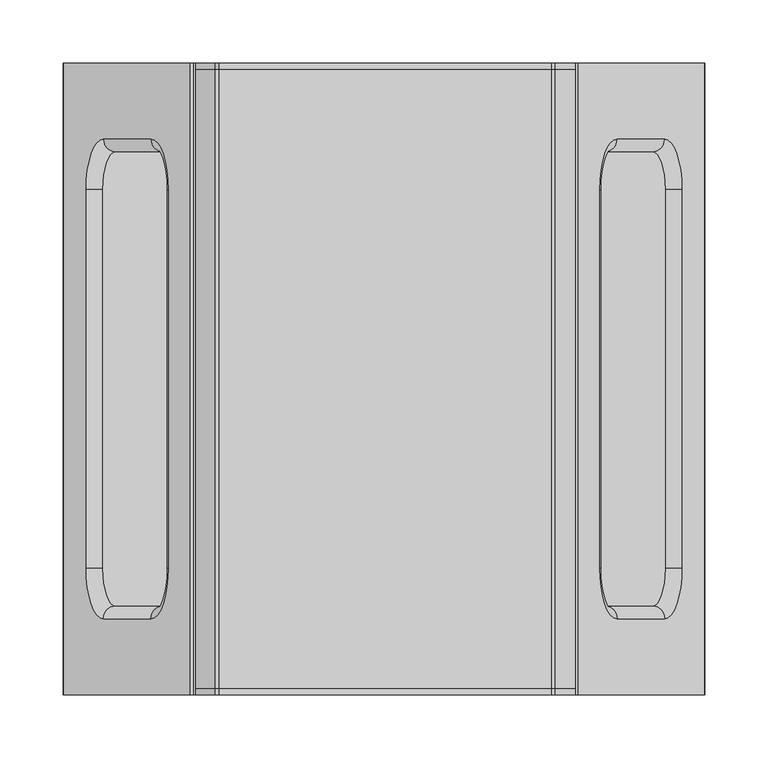
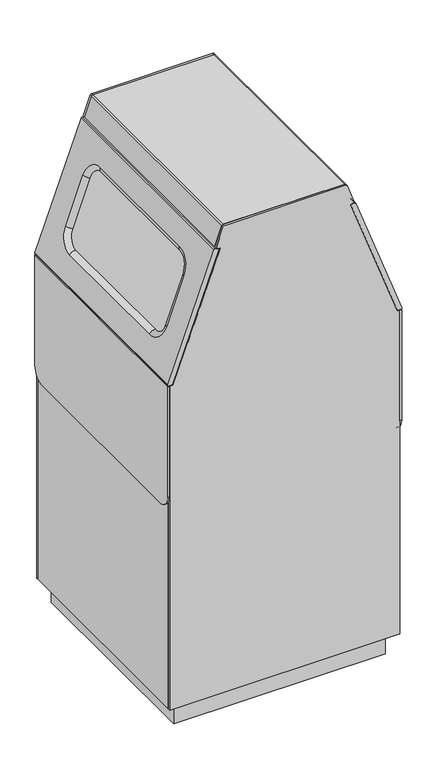
"""IFC4 building model written with IfcOpenShell, lengths in millimetres: furniture geometry."""

from ifc_helpers import new_model, si_unit, point, frame, frame_2d, origin, origin_with_axes, place, context, project, spatial, polyline, circle_curve, ellipse_curve, trimmed, segment, composite_curve, outline, extrude, source, transform, mapped, element, save
from ifc_brep_helpers import plane_surface, cylinder_surface, revolved_surface, advanced_brep


def furniture_a62a440b(model_context):
    return source(origin(), model_context, "Body", "SolidModel", [
        extrude(outline(polyline([(232.491566, 230.0), (232.491566, -230.0), (-227.491566, -230.0), (-227.491566, 230.0), (232.491566, 230.0)])), origin_with_axes(), (0.0, 0.0, 1.0), 50.1281076),
        advanced_brep(
        [(146.0932396, -250.0, 1072.1902417), (246.5647051, -250.0, 795.7630514), (254.383259, -250.0, 795.7627889), (256.2410158, -250.0, 798.4145852), (156.1722964, -250.0, 1073.7336998), (153.6191469, -250.0, 1074.9256417), (146.0932396, 250.0, 1072.1902417), (153.6191469, 250.0, 1074.9256417), (156.1722964, 250.0, 1073.7336998), (256.2410158, 250.0, 798.4145852), (254.383259, 250.0, 795.7627889), (246.5647051, 250.0, 795.7630514), (167.2964556, -149.9027397, 1013.8538237), (177.5427021, -179.8975729, 985.6633208), (215.1187442, -179.8975729, 882.2803384), (225.3649908, -149.9027397, 854.0898355), (225.3649908, 149.9027397, 854.0898355), (215.1187442, 179.8975729, 882.2803384), (177.5427021, 179.8975729, 985.6633208), (167.2964556, 149.9027397, 1013.8538237), (186.941155, -189.9027397, 989.0793247), (173.2771397, -149.9027397, 1026.6731365), (173.2771397, 149.9027397, 1026.6731365), (186.941155, 189.9027397, 989.0793247), (224.5171972, 189.9027397, 885.6963422), (238.1812125, 149.9027397, 848.1025304), (238.1812125, -149.9027397, 848.1025304), (224.5171972, -189.9027397, 885.6963422)],
        [
            (0, 1),
            (1, 2),
            (2, 3, circle_curve(frame((254.3833253, -250.0, 797.7393807), z_axis=(0.0, -1.0, 0.0), x_axis=(1.0, 0.0, 0.0)), 1.9765918)),
            (3, 4),
            (4, 5, circle_curve(frame((154.2997508, -250.0, 1073.053096), z_axis=(0.0, -1.0, 0.0), x_axis=(1.0, 0.0, 0.0)), 1.9923978)),
            (5, 0),
            (6, 7),
            (7, 8, circle_curve(frame((154.2997508, 250.0, 1073.053096), z_axis=(0.0, 1.0, 0.0), x_axis=(1.0, 0.0, 0.0)), 1.9923978)),
            (8, 9),
            (9, 10, circle_curve(frame((254.3833253, 250.0, 797.7393807), z_axis=(0.0, 1.0, 0.0), x_axis=(1.0, 0.0, 0.0)), 1.9765918)),
            (10, 11),
            (11, 6),
            (0, 6),
            (11, 1),
            (12, 13, circle_curve(frame((177.5427021, -149.9027397, 985.6633208), z_axis=(0.9398452948509541, 0.0, 0.3416003831182324), x_axis=(-0.3416003831182324, 0.0, 0.9398452948509541)), 29.9948332)),
            (13, 14),
            (14, 15, circle_curve(frame((215.1187442, -149.9027397, 882.2803384), z_axis=(0.9398452948509541, 0.0, 0.3416003831182324), x_axis=(0.0, -1.0, 0.0)), 29.9948332)),
            (15, 16),
            (16, 17, circle_curve(frame((215.1187442, 149.9027397, 882.2803384), z_axis=(0.9398452948509541, 0.0, 0.3416003831182324), x_axis=(0.3416003831182324, 0.0, -0.9398452948509541)), 29.9948332)),
            (17, 18),
            (18, 19, circle_curve(frame((177.5427021, 149.9027397, 985.6633208), z_axis=(0.9398452948509541, 0.0, 0.3416003831182324), x_axis=(0.0, 1.0, 0.0)), 29.9948332)),
            (19, 12),
            (10, 2),
            (9, 3),
            (8, 4),
            (20, 21, circle_curve(frame((186.941155, -149.9027397, 989.0793247), z_axis=(-0.9398452948509541, 0.0, -0.3416003831182324), x_axis=(-0.3416003831182324, 0.0, 0.9398452948509541)), 40.0)),
            (21, 22),
            (22, 23, circle_curve(frame((186.941155, 149.9027397, 989.0793247), z_axis=(-0.9398452948509541, 0.0, -0.3416003831182324), x_axis=(0.0, 1.0, 0.0)), 40.0)),
            (23, 24),
            (24, 25, circle_curve(frame((224.5171972, 149.9027397, 885.6963422), z_axis=(-0.9398452948509541, 0.0, -0.3416003831182324), x_axis=(0.3416003831182324, 0.0, -0.9398452948509541)), 40.0)),
            (25, 26),
            (26, 27, circle_curve(frame((224.5171972, -149.9027397, 885.6963422), z_axis=(-0.9398452948509541, 0.0, -0.3416003831182324), x_axis=(0.0, -1.0, 0.0)), 40.0)),
            (27, 20),
            (7, 5),
            (12, 21, circle_curve(frame((163.8738295, -149.9027397, 1023.2553672), z_axis=(0.0, -1.0, 0.0), x_axis=(-1.0, 0.0, 0.0)), 10.0051681)),
            (20, 13, circle_curve(frame((177.5378449, -189.9027397, 985.6615554), z_axis=(-0.3416003831182322, 0.0, 0.9398452948509541), x_axis=(-0.8833091782534767, -0.3416003831182324, -0.3210515127929546)), 10.0051681)),
            (27, 14, circle_curve(frame((215.113887, -189.9027397, 882.278573), z_axis=(-0.3416003831182323, 0.0, 0.9398452948509542), x_axis=(-0.8833091782534771, -0.3416003831182324, -0.3210515127929534)), 10.0051681)),
            (26, 15, circle_curve(frame((228.7779023, -149.9027397, 844.6847612), z_axis=(0.0, -1.0, 0.0), x_axis=(-0.7666183565069539, 0.0, -0.6421030255859081)), 10.0051681)),
            (25, 16, circle_curve(frame((228.7779023, 149.9027397, 844.6847612), z_axis=(0.0, -1.0, 0.0), x_axis=(-0.7666183565069538, 0.0, -0.642103025585908)), 10.0051681)),
            (24, 17, circle_curve(frame((215.113887, 189.9027397, 882.278573), z_axis=(0.3416003831182326, 0.0, -0.9398452948509542), x_axis=(-0.8833091782534769, 0.3416003831182325, -0.3210515127929541)), 10.0051681)),
            (23, 18, circle_curve(frame((177.5378449, 189.9027397, 985.6615554), z_axis=(0.34160038311823265, 0.0, -0.9398452948509541), x_axis=(-0.883309178253477, 0.3416003831182325, -0.32105151279295374)), 10.0051681)),
            (22, 19, circle_curve(frame((163.8738295, 149.9027397, 1023.2553672), z_axis=(0.0, 1.0000000000000002, 0.0), x_axis=(-1.0, 0.0, 0.0)), 10.0051681)),
        ],
        [
            plane_surface(frame((246.5647051, -250.0, 795.7630514), z_axis=(0.0, -1.0, 0.0), x_axis=(0.3416003831181263, 0.0, -0.9398452948509927))),
            plane_surface(frame((246.5647051, 250.0, 795.7630514), z_axis=(0.0, 1.0, 0.0), x_axis=(-0.3416003831181263, 0.0, 0.9398452948509927))),
            plane_surface(frame((146.0932396, -250.0, 1072.1902417), z_axis=(-0.9398452948509927, 0.0, -0.3416003831181263), x_axis=(0.0, 1.0, 0.0))),
            plane_surface(frame((246.5647051, -250.0, 795.7630514), z_axis=(-3.3566365622777426e-05, 0.0, -0.9999999994366495), x_axis=(0.0, 1.0, 0.0))),
            cylinder_surface(frame((254.3833253, 250.0, 797.7393807), z_axis=(0.0, -1.0, 0.0), x_axis=(1.0, 0.0, 0.0)), 1.9765918),
            plane_surface(frame((256.2410158, -250.0, 798.4145852), z_axis=(0.9398452948509542, 0.0, 0.34160038311823204), x_axis=(0.0, 1.0, 0.0))),
            cylinder_surface(frame((154.2997508, 250.0, 1073.053096), z_axis=(0.0, -1.0, 0.0), x_axis=(1.0, 0.0, 0.0)), 1.9923978),
            plane_surface(frame((153.6191469, -250.0, 1074.9256417), z_axis=(-0.34160038311813345, 0.0, 0.9398452948509901), x_axis=(0.0, 1.0, 0.0))),
            revolved_surface(trimmed(ellipse_curve(frame((163.8738295, -149.9027397, 1023.2553672), z_axis=(0.0, 1.0, 0.0), x_axis=(-1.0, 0.0, 0.0)), 10.0051681, 10.0051681), [point((173.2771397, -149.9027397, 1026.6731365))], [point((167.2964556, -149.9027397, 1013.8538237))], True, "CARTESIAN"), (186.941155, -149.9027397, 989.0793247), (0.9398452948509541, 0.0, 0.3416003831182324)),
            cylinder_surface(frame((177.5378449, -189.9027397, 985.6615554), z_axis=(-0.3416003831182323, 0.0, 0.9398452948509542), x_axis=(-0.8833091782534771, -0.3416003831182324, -0.3210515127929534)), 10.0051681),
            revolved_surface(trimmed(ellipse_curve(frame((215.113887, -189.9027397, 882.278573), z_axis=(-0.34160038311823215, 0.0, 0.9398452948509542), x_axis=(-0.8833091782534771, -0.34160038311823243, -0.32105151279295385)), 10.0051681, 10.0051681), [point((224.5171972, -189.9027397, 885.6963422))], [point((215.1187442, -179.8975729, 882.2803384))], True, "CARTESIAN"), (224.5171972, -149.9027397, 885.6963422), (0.9398452948509541, 0.0, 0.3416003831182324)),
            cylinder_surface(frame((228.7779023, -149.9027397, 844.6847612), z_axis=(0.0, -1.0, 0.0), x_axis=(-0.7666183565069538, 0.0, -0.642103025585908)), 10.0051681),
            revolved_surface(trimmed(ellipse_curve(frame((228.7779023, 149.9027397, 844.6847612), z_axis=(0.0, -1.0000000000000002, 0.0), x_axis=(-0.7666183565069538, 0.0, -0.6421030255859081)), 10.0051681, 10.0051681), [point((238.1812125, 149.9027397, 848.1025304))], [point((225.3649908, 149.9027397, 854.0898355))], True, "CARTESIAN"), (224.5171972, 149.9027397, 885.6963422), (0.9398452948509541, 0.0, 0.3416003831182324)),
            cylinder_surface(frame((215.113887, 189.9027397, 882.278573), z_axis=(0.34160038311823265, 0.0, -0.9398452948509541), x_axis=(-0.883309178253477, 0.3416003831182325, -0.32105151279295374)), 10.0051681),
            revolved_surface(trimmed(ellipse_curve(frame((177.5378449, 189.9027397, 985.6615554), z_axis=(0.34160038311823265, 0.0, -0.9398452948509542), x_axis=(-0.8833091782534768, 0.3416003831182325, -0.32105151279295424)), 10.0051681, 10.0051681), [point((186.941155, 189.9027397, 989.0793247))], [point((177.5427021, 179.8975729, 985.6633208))], True, "CARTESIAN"), (186.941155, 149.9027397, 989.0793247), (0.9398452948509541, 0.0, 0.3416003831182324)),
            cylinder_surface(frame((163.8738295, 149.9027397, 1023.2553672), z_axis=(0.0, 1.0, 0.0), x_axis=(-1.0, 0.0, 0.0)), 10.0051681),
        ],
        [
            (0, [[1, 2, 3, 4, 5, 6]]),
            (1, [[7, 8, 9, 10, 11, 12]]),
            (2, [[-1, 13, -12, 14], [15, 16, 17, 18, 19, 20, 21, 22]]),
            (3, [[-2, -14, -11, 23]]),
            (4, [[-3, -23, -10, 24]]),
            (5, [[-4, -24, -9, 25], [26, 27, 28, 29, 30, 31, 32, 33]]),
            (6, [[-5, -25, -8, 34]]),
            (7, [[-6, -34, -7, -13]]),
            (8, [[-15, 35, -26, 36]]),
            (9, [[-36, -33, 37, -16]]),
            (10, [[-37, -32, 38, -17]]),
            (11, [[-38, -31, 39, -18]]),
            (12, [[-39, -30, 40, -19]]),
            (13, [[-40, -29, 41, -20]]),
            (14, [[-41, -28, 42, -21]]),
            (15, [[-35, -22, -42, -27]]),
        ],
    ),
        advanced_brep(
        [(-141.0932396, -250.0, 1072.1902417), (-148.6191469, -250.0, 1074.9256417), (-151.1722964, -250.0, 1073.7336998), (-251.2410158, -250.0, 798.4145852), (-249.383259, -250.0, 795.7627889), (-241.5647051, -250.0, 795.7630514), (-141.0932396, 250.0, 1072.1902417), (-241.5647051, 250.0, 795.7630514), (-249.383259, 250.0, 795.7627889), (-251.2410158, 250.0, 798.4145852), (-151.1722964, 250.0, 1073.7336998), (-148.6191469, 250.0, 1074.9256417), (-172.5427021, -179.8975729, 985.6633208), (-162.2964556, -149.9027397, 1013.8538237), (-162.2964556, 149.9027397, 1013.8538237), (-172.5427021, 179.8975729, 985.6633208), (-210.1187442, 179.8975729, 882.2803384), (-220.3649908, 149.9027397, 854.0898355), (-220.3649908, -149.9027397, 854.0898355), (-210.1187442, -179.8975729, 882.2803384), (-168.2771397, -149.9027397, 1026.6731365), (-181.941155, -189.9027397, 989.0793247), (-219.5171972, -189.9027397, 885.6963422), (-233.1812125, -149.9027397, 848.1025304), (-233.1812125, 149.9027397, 848.1025304), (-219.5171972, 189.9027397, 885.6963422), (-181.941155, 189.9027397, 989.0793247), (-168.2771397, 149.9027397, 1026.6731365)],
        [
            (0, 1),
            (1, 2, circle_curve(frame((-149.2997508, -250.0, 1073.053096), z_axis=(0.0, -1.0, 0.0), x_axis=(-1.0, 0.0, 0.0)), 1.9923978)),
            (2, 3),
            (3, 4, circle_curve(frame((-249.3833253, -250.0, 797.7393807), z_axis=(0.0, -1.0, 0.0), x_axis=(-1.0, 0.0, 0.0)), 1.9765918)),
            (4, 5),
            (5, 0),
            (6, 7),
            (7, 8),
            (8, 9, circle_curve(frame((-249.3833253, 250.0, 797.7393807), z_axis=(0.0, 1.0, 0.0), x_axis=(-1.0, 0.0, 0.0)), 1.9765918)),
            (9, 10),
            (10, 11, circle_curve(frame((-149.2997508, 250.0, 1073.053096), z_axis=(0.0, 1.0, 0.0), x_axis=(-1.0, 0.0, 0.0)), 1.9923978)),
            (11, 6),
            (5, 7),
            (6, 0),
            (12, 13, circle_curve(frame((-172.5427021, -149.9027397, 985.6633208), z_axis=(-0.9398452948509541, 0.0, 0.3416003831182324), x_axis=(0.3416003831182324, 0.0, 0.9398452948509541)), 29.9948332)),
            (13, 14),
            (14, 15, circle_curve(frame((-172.5427021, 149.9027397, 985.6633208), z_axis=(-0.9398452948509541, 0.0, 0.3416003831182324), x_axis=(0.0, 1.0, 0.0)), 29.9948332)),
            (15, 16),
            (16, 17, circle_curve(frame((-210.1187442, 149.9027397, 882.2803384), z_axis=(-0.9398452948509541, 0.0, 0.3416003831182324), x_axis=(-0.3416003831182324, 0.0, -0.9398452948509541)), 29.9948332)),
            (17, 18),
            (18, 19, circle_curve(frame((-210.1187442, -149.9027397, 882.2803384), z_axis=(-0.9398452948509541, 0.0, 0.3416003831182324), x_axis=(0.0, -1.0, 0.0)), 29.9948332)),
            (19, 12),
            (4, 8),
            (3, 9),
            (2, 10),
            (20, 21, circle_curve(frame((-181.941155, -149.9027397, 989.0793247), z_axis=(0.9398452948509541, 0.0, -0.3416003831182324), x_axis=(0.3416003831182324, 0.0, 0.9398452948509541)), 40.0)),
            (21, 22),
            (22, 23, circle_curve(frame((-219.5171972, -149.9027397, 885.6963422), z_axis=(0.9398452948509541, 0.0, -0.3416003831182324), x_axis=(0.0, -1.0, 0.0)), 40.0)),
            (23, 24),
            (24, 25, circle_curve(frame((-219.5171972, 149.9027397, 885.6963422), z_axis=(0.9398452948509541, 0.0, -0.3416003831182324), x_axis=(-0.3416003831182324, 0.0, -0.9398452948509541)), 40.0)),
            (25, 26),
            (26, 27, circle_curve(frame((-181.941155, 149.9027397, 989.0793247), z_axis=(0.9398452948509541, 0.0, -0.3416003831182324), x_axis=(0.0, 1.0, 0.0)), 40.0)),
            (27, 20),
            (1, 11),
            (20, 13, circle_curve(frame((-158.8738295, -149.9027397, 1023.2553672), z_axis=(0.0, -1.0, 0.0), x_axis=(1.0, 0.0, 0.0)), 10.0051681)),
            (12, 21, circle_curve(frame((-172.5378449, -189.9027397, 985.6615554), z_axis=(0.3416003831182322, 0.0, 0.9398452948509541), x_axis=(0.883309178253477, -0.3416003831182325, -0.32105151279295385)), 10.0051681)),
            (19, 22, circle_curve(frame((-210.113887, -189.9027397, 882.278573), z_axis=(0.34160038311823226, 0.0, 0.9398452948509541), x_axis=(0.8833091782534771, -0.3416003831182325, -0.3210515127929534)), 10.0051681)),
            (18, 23, circle_curve(frame((-223.7779023, -149.9027397, 844.6847612), z_axis=(0.0, -1.0, 0.0), x_axis=(0.7666183565069535, 0.0, -0.6421030255859081)), 10.0051681)),
            (17, 24, circle_curve(frame((-223.7779023, 149.9027397, 844.6847612), z_axis=(0.0, -1.0, 0.0), x_axis=(0.7666183565069536, 0.0, -0.6421030255859081)), 10.0051681)),
            (16, 25, circle_curve(frame((-210.113887, 189.9027397, 882.278573), z_axis=(-0.3416003831182326, 0.0, -0.9398452948509542), x_axis=(0.8833091782534762, 0.34160038311823254, -0.3210515127929559)), 10.0051681)),
            (15, 26, circle_curve(frame((-172.5378449, 189.9027397, 985.6615554), z_axis=(-0.3416003831182326, 0.0, -0.9398452948509541), x_axis=(0.883309178253477, 0.3416003831182326, -0.3210515127929537)), 10.0051681)),
            (14, 27, circle_curve(frame((-158.8738295, 149.9027397, 1023.2553672), z_axis=(0.0, 1.0, 0.0), x_axis=(1.0, 0.0, 0.0)), 10.0051681)),
        ],
        [
            plane_surface(frame((-148.612002, -250.0, 1074.9230447), z_axis=(0.0, -1.0, 0.0), x_axis=(-0.9398452948509906, 0.0, 0.34160038311813207))),
            plane_surface(frame((-148.612002, 250.0, 1074.9230447), z_axis=(0.0, 1.0, 0.0), x_axis=(0.9398452948509906, 0.0, -0.34160038311813207))),
            plane_surface(frame((-241.5647051, -250.0, 795.7630514), z_axis=(0.9398452948509927, 0.0, -0.34160038311812635), x_axis=(0.0, 1.0, 0.0))),
            plane_surface(frame((-249.383259, -250.0, 795.7627889), z_axis=(3.3566365622777426e-05, 0.0, -0.9999999994366495), x_axis=(0.0, 1.0, 0.0))),
            cylinder_surface(frame((-249.3833253, 250.0, 797.7393807), z_axis=(0.0, -1.0, 0.0), x_axis=(-1.0, 0.0, 0.0)), 1.9765918),
            plane_surface(frame((-151.1722964, -250.0, 1073.7336998), z_axis=(-0.9398452948509542, 0.0, 0.3416003831182321), x_axis=(0.0, 1.0, 0.0))),
            cylinder_surface(frame((-149.2997508, 250.0, 1073.053096), z_axis=(0.0, -1.0, 0.0), x_axis=(-1.0, 0.0, 0.0)), 1.9923978),
            plane_surface(frame((-141.0932396, -250.0, 1072.1902417), z_axis=(0.34160038311813207, 0.0, 0.9398452948509906), x_axis=(0.0, 1.0, 0.0))),
            revolved_surface(trimmed(ellipse_curve(frame((-158.8738295, -149.9027397, 1023.2553672), z_axis=(0.0, 1.0, 0.0), x_axis=(1.0, 0.0, 0.0)), 10.0051681, 10.0051681), [point((-162.2964556, -149.9027397, 1013.8538237))], [point((-168.2771397, -149.9027397, 1026.6731365))], True, "CARTESIAN"), (-181.941155, -149.9027397, 989.0793247), (0.9398452948509541, 0.0, -0.3416003831182324)),
            cylinder_surface(frame((-172.5378449, -189.9027397, 985.6615554), z_axis=(0.3416003831182323, 0.0, 0.9398452948509544), x_axis=(0.8833091782534771, -0.3416003831182325, -0.3210515127929534)), 10.0051681),
            revolved_surface(trimmed(ellipse_curve(frame((-210.113887, -189.9027397, 882.278573), z_axis=(0.3416003831182322, 0.0, 0.9398452948509542), x_axis=(0.8833091782534769, -0.3416003831182325, -0.3210515127929538)), 10.0051681, 10.0051681), [point((-210.1187442, -179.8975729, 882.2803384))], [point((-219.5171972, -189.9027397, 885.6963422))], True, "CARTESIAN"), (-219.5171972, -149.9027397, 885.6963422), (0.9398452948509541, 0.0, -0.3416003831182324)),
            cylinder_surface(frame((-223.7779023, -149.9027397, 844.6847612), z_axis=(0.0, -1.0, 0.0), x_axis=(0.7666183565069536, 0.0, -0.6421030255859081)), 10.0051681),
            revolved_surface(trimmed(ellipse_curve(frame((-223.7779023, 149.9027397, 844.6847612), z_axis=(0.0, -1.0000000000000002, 0.0), x_axis=(0.7666183565069536, 0.0, -0.6421030255859081)), 10.0051681, 10.0051681), [point((-220.3649908, 149.9027397, 854.0898355))], [point((-233.1812125, 149.9027397, 848.1025304))], True, "CARTESIAN"), (-219.5171972, 149.9027397, 885.6963422), (0.9398452948509541, 0.0, -0.3416003831182324)),
            cylinder_surface(frame((-210.113887, 189.9027397, 882.278573), z_axis=(-0.3416003831182326, 0.0, -0.9398452948509541), x_axis=(0.883309178253477, 0.3416003831182326, -0.3210515127929537)), 10.0051681),
            revolved_surface(trimmed(ellipse_curve(frame((-172.5378449, 189.9027397, 985.6615554), z_axis=(-0.3416003831182324, 0.0, -0.9398452948509541), x_axis=(0.8833091782534768, 0.34160038311823265, -0.3210515127929541)), 10.0051681, 10.0051681), [point((-172.5427021, 179.8975729, 985.6633208))], [point((-181.941155, 189.9027397, 989.0793247))], True, "CARTESIAN"), (-181.941155, 149.9027397, 989.0793247), (0.9398452948509541, 0.0, -0.3416003831182324)),
            cylinder_surface(frame((-158.8738295, 149.9027397, 1023.2553672), z_axis=(0.0, 1.0, 0.0), x_axis=(1.0, 0.0, 0.0)), 10.0051681),
        ],
        [
            (0, [[1, 2, 3, 4, 5, 6]]),
            (1, [[7, 8, 9, 10, 11, 12]]),
            (2, [[-6, 13, -7, 14], [15, 16, 17, 18, 19, 20, 21, 22]]),
            (3, [[-5, 23, -8, -13]]),
            (4, [[-4, 24, -9, -23]]),
            (5, [[-3, 25, -10, -24], [26, 27, 28, 29, 30, 31, 32, 33]]),
            (6, [[-2, 34, -11, -25]]),
            (7, [[-1, -14, -12, -34]]),
            (8, [[-26, 35, -15, 36]]),
            (9, [[-36, -22, 37, -27]]),
            (10, [[-37, -21, 38, -28]]),
            (11, [[-38, -20, 39, -29]]),
            (12, [[-39, -19, 40, -30]]),
            (13, [[-40, -18, 41, -31]]),
            (14, [[-41, -17, 42, -32]]),
            (15, [[-35, -33, -42, -16]]),
        ],
    ),
        extrude(outline(composite_curve([segment(trimmed(circle_curve(frame_2d((-199.9292735, 321.8937075)), 11.5), [point((-211.4292735, 321.8937075))], [point((-188.4292735, 321.8937075))], False, "CARTESIAN"), True, "CONTINUOUS"), segment(trimmed(circle_curve(frame_2d((-199.9292735, 321.8937075)), 11.5), [point((-188.4292735, 321.8937075))], [point((-211.4292735, 321.8937075))], False, "CARTESIAN"), True, "CONTINUOUS")], self_intersect=False), holes=[polyline([(-200.0, 329.4287371), (-206.5, 325.6759604), (-206.5, 318.1704069), (-200.0, 314.4176301), (-193.5, 318.1704069), (-193.5, 325.6759604), (-200.0, 329.4287371)])]), frame((232.5, 0.0, 0.0), z_axis=(1.0, 0.0, 0.0), x_axis=(0.0, 1.0, 0.0)), (0.0, 0.0, 1.0), 23.0),
        extrude(outline(composite_curve([segment(trimmed(circle_curve(frame_2d((-219.9997434, 540.6855894)), 30.0), [point((-219.9997434, 510.6855894))], [point((-249.9997434, 540.6855894))], False, "CARTESIAN"), True, "CONTINUOUS"), segment(polyline([(-249.9997434, 540.6855894), (-249.9997434, 793.8833608), (250.0002566, 793.8833608), (250.0002566, 540.6855894)]), True, "CONTINUOUS"), segment(trimmed(circle_curve(frame_2d((220.0002566, 540.6855894)), 30.0), [point((250.0002566, 540.6855894))], [point((220.0002566, 510.6855894))], False, "CARTESIAN"), True, "CONTINUOUS"), segment(polyline([(220.0002566, 510.6855894), (-219.9997434, 510.6855894)]), True, "CONTINUOUS")], self_intersect=False)), frame((-251.3430433, 0.0, 0.0), z_axis=(1.0, 0.0, 0.0), x_axis=(0.0, 1.0, 0.0)), (0.0, 0.0, 1.0), 3.8430433),
        extrude(outline(composite_curve([segment(trimmed(circle_curve(frame_2d((-219.9997434, 540.6855894)), 30.0), [point((-219.9997434, 510.6855894))], [point((-249.9997434, 540.6855894))], False, "CARTESIAN"), True, "CONTINUOUS"), segment(polyline([(-249.9997434, 540.6855894), (-249.9997434, 793.8833608), (250.0002566, 793.8833608), (250.0002566, 540.6855894)]), True, "CONTINUOUS"), segment(trimmed(circle_curve(frame_2d((220.0002566, 540.6855894)), 30.0), [point((250.0002566, 540.6855894))], [point((220.0002566, 510.6855894))], False, "CARTESIAN"), True, "CONTINUOUS"), segment(polyline([(220.0002566, 510.6855894), (-219.9997434, 510.6855894)]), True, "CONTINUOUS")], self_intersect=False)), frame((252.5, 0.0, 0.0), z_axis=(1.0, 0.0, 0.0), x_axis=(0.0, 1.0, 0.0)), (0.0, 0.0, 1.0), 3.606065),
        extrude(outline(polyline([(50.1281076, -247.5), (50.1281076, 252.5), (793.8833608, 252.5), (793.8833608, 247.5), (788.8833608, 247.5), (54.1281076, 247.5), (54.1281076, -242.5), (788.8833608, -242.5), (793.8833608, -242.5), (793.8833608, -247.5), (50.1281076, -247.5)])), frame((0.0, -245.0, 0.0), z_axis=(0.0, 1.0, 0.0), x_axis=(0.0, 0.0, 1.0)), (0.0, 0.0, 1.0), 490.0),
        extrude(outline(composite_curve([segment(polyline([(1076.8473286, -146.3877732), (1073.7055658, -137.7406728), (1076.5370988, -136.7118881), (1078.6572512, -142.5472017), (1118.8883724, -128.0565946), (1118.8883724, 135.317614), (1078.6525529, 149.8099134), (1076.5514984, 143.9766328), (1073.7055658, 145.0016923), (1076.8232385, 153.6574695), (1119.9320358, 138.1303695)]), True, "CONTINUOUS"), segment(trimmed(circle_curve(frame_2d((1118.92928, 135.34636)), 2.9590923), [point((1119.9320358, 138.1303695))], [point((1121.8883724, 135.34636))], False, "CARTESIAN"), True, "CONTINUOUS"), segment(polyline([(1121.8883724, 135.34636), (1121.8883724, -128.0314311)]), True, "CONTINUOUS"), segment(trimmed(circle_curve(frame_2d((1118.8525629, -128.0314311)), 3.0358095), [point((1121.8883724, -128.0314311))], [point((1119.8813159, -130.8876185))], False, "CARTESIAN"), True, "CONTINUOUS"), segment(polyline([(1119.8813159, -130.8876185), (1076.8473286, -146.3877732)]), True, "CONTINUOUS")], self_intersect=False)), frame((0.0, -245.0, 0.0), z_axis=(0.0, 1.0, 0.0), x_axis=(0.0, 0.0, 1.0)), (0.0, 0.0, 1.0), 490.0),
        extrude(outline(composite_curve([segment(polyline([(50.1281076, -247.5), (50.1281076, 252.5), (793.8833608, 252.5), (793.8833608, 246.6698772), (1073.7055658, 145.0016923), (1076.8232385, 153.6574695), (1119.9320358, 138.1303695)]), True, "CONTINUOUS"), segment(trimmed(circle_curve(frame_2d((1118.92928, 135.34636)), 2.9590923), [point((1119.9320358, 138.1303695))], [point((1121.8883724, 135.34636))], False, "CARTESIAN"), True, "CONTINUOUS"), segment(polyline([(1121.8883724, 135.34636), (1121.8883724, -128.0314311)]), True, "CONTINUOUS"), segment(trimmed(circle_curve(frame_2d((1118.8525629, -128.0314311)), 3.0358095), [point((1121.8883724, -128.0314311))], [point((1119.8813159, -130.8876185))], False, "CARTESIAN"), True, "CONTINUOUS"), segment(polyline([(1119.8813159, -130.8876185), (1076.8473286, -146.3877732), (1073.7055658, -137.7406728), (793.8833608, -239.4088578), (793.8833608, -247.5), (50.1281076, -247.5)]), True, "CONTINUOUS")], self_intersect=False)), frame((0.0, 245.0, 0.0), z_axis=(0.0, 1.0, 0.0), x_axis=(0.0, 0.0, 1.0)), (0.0, 0.0, 1.0), 5.0),
        extrude(outline(composite_curve([segment(polyline([(50.1281076, -247.5), (50.1281076, 252.5), (793.8833608, 252.5), (793.8833608, 246.6698772), (1073.7055658, 145.0016923), (1076.8232385, 153.6574695), (1119.9320358, 138.1303695)]), True, "CONTINUOUS"), segment(trimmed(circle_curve(frame_2d((1118.92928, 135.34636)), 2.9590923), [point((1119.9320358, 138.1303695))], [point((1121.8883724, 135.34636))], False, "CARTESIAN"), True, "CONTINUOUS"), segment(polyline([(1121.8883724, 135.34636), (1121.8883724, -128.0314311)]), True, "CONTINUOUS"), segment(trimmed(circle_curve(frame_2d((1118.8525629, -128.0314311)), 3.0358095), [point((1121.8883724, -128.0314311))], [point((1119.8813159, -130.8876185))], False, "CARTESIAN"), True, "CONTINUOUS"), segment(polyline([(1119.8813159, -130.8876185), (1076.8473286, -146.3877732), (1073.7055658, -137.7406728), (793.8833608, -239.4088578), (793.8833608, -247.5), (50.1281076, -247.5)]), True, "CONTINUOUS")], self_intersect=False)), frame((0.0, -250.0, 0.0), z_axis=(0.0, 1.0, 0.0), x_axis=(0.0, 0.0, 1.0)), (0.0, 0.0, 1.0), 5.0),
    ])


if __name__ == "__main__":
    model = new_model("IFC4")
    model_context = context("Model", 3, world=origin())
    ifc_project = project(units=[si_unit("LENGTHUNIT", "METRE", prefix="MILLI")], contexts=[model_context])
    site = spatial("IfcSite", under=ifc_project)
    building = spatial("IfcBuilding", under=site)
    placement = place(None, origin())
    furniture_shape = furniture_a62a440b(model_context)
    element("IfcFurniture", 1, at=placement, inside=building, context=model_context, shape_type="MappedRepresentation", body=[
        mapped(furniture_shape, transform((0.0, 0.0, 0.0), x_axis=(1.0, 0.0, 0.0), y_axis=(0.0, 1.0, 0.0), z_axis=(0.0, 0.0, 1.0))),
    ])
    save(model, "model.ifc")
